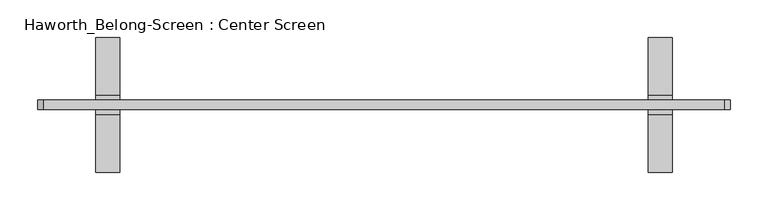
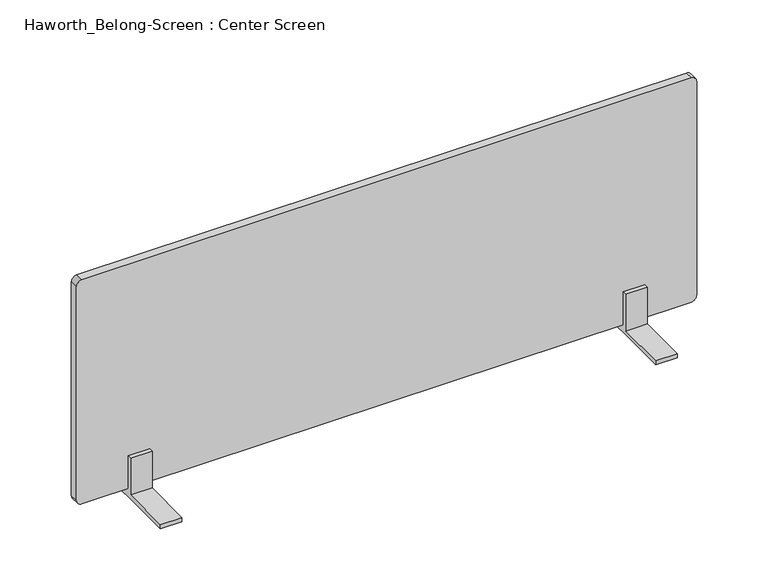
"""IFC4 building model written with IfcOpenShell, lengths in millimetres: furniture geometry, Haworth_Belong-Screen : Center Screen."""

from ifc_helpers import new_model, si_unit, point, frame, frame_2d, origin, place, context, project, spatial, polyline, circle_curve, trimmed, segment, composite_curve, outline, extrude, source, transform, mapped, element, save


def haworth_belong_screen_center_screen_3a9b263b(model_context):
    return source(origin(), model_context, "Body", "SweptSolid", [
        extrude(outline(polyline([(-12.7, 706.4375), (-12.7, 763.5875), (-6.35, 763.5875), (-6.35, 712.7875), (6.35, 712.7875), (6.35, 763.5875), (12.7, 763.5875), (12.7, 706.4375), (88.9, 706.4375), (88.9, 700.0875), (-88.9, 700.0875), (-88.9, 706.4375), (-12.7, 706.4375)])), frame((-413.6645436, 0.0, 0.0), z_axis=(1.0, 0.0, 0.0), x_axis=(0.0, 1.0, 0.0)), (0.0, 0.0, 1.0), 31.75),
        extrude(outline(polyline([(-12.7, 706.4375), (-12.7, 763.5875), (-6.35, 763.5875), (-6.35, 712.7875), (6.35, 712.7875), (6.35, 763.5875), (12.7, 763.5875), (12.7, 706.4375), (88.9, 706.4375), (88.9, 700.0875), (-88.9, 700.0875), (-88.9, 706.4375), (-12.7, 706.4375)])), frame((316.5854564, 0.0, 0.0), z_axis=(1.0, 0.0, 0.0), x_axis=(0.0, 1.0, 0.0)), (0.0, 0.0, 1.0), 31.75),
        extrude(outline(composite_curve([segment(polyline([(1062.0375, 416.5979564), (1062.0375, -481.9270436)]), True, "CONTINUOUS"), segment(trimmed(circle_curve(frame_2d((1054.1, -481.9270436)), 7.9375), [point((1062.0375, -481.9270436))], [point((1054.1, -489.8645436))], False, "CARTESIAN"), True, "CONTINUOUS"), segment(polyline([(1054.1, -489.8645436), (720.725, -489.8645436)]), True, "CONTINUOUS"), segment(trimmed(circle_curve(frame_2d((720.725, -481.9270436)), 7.9375), [point((720.725, -489.8645436))], [point((712.7875, -481.9270436))], False, "CARTESIAN"), True, "CONTINUOUS"), segment(polyline([(712.7875, -481.9270436), (712.7875, 416.5979564)]), True, "CONTINUOUS"), segment(trimmed(circle_curve(frame_2d((720.725, 416.5979564)), 7.9375), [point((712.7875, 416.5979564))], [point((720.725, 424.5354564))], False, "CARTESIAN"), True, "CONTINUOUS"), segment(polyline([(720.725, 424.5354564), (1054.1, 424.5354564)]), True, "CONTINUOUS"), segment(trimmed(circle_curve(frame_2d((1054.1, 416.5979564)), 7.9375), [point((1054.1, 424.5354564))], [point((1062.0375, 416.5979564))], False, "CARTESIAN"), True, "CONTINUOUS")], self_intersect=False)), frame((0.0, -6.35, 0.0), z_axis=(0.0, 1.0, 0.0), x_axis=(0.0, 0.0, 1.0)), (0.0, 0.0, 1.0), 12.7),
    ])


if __name__ == "__main__":
    model = new_model("IFC4")
    model_context = context("Model", 3, world=origin())
    ifc_project = project(units=[si_unit("LENGTHUNIT", "METRE", prefix="MILLI")], contexts=[model_context])
    site = spatial("IfcSite", under=ifc_project)
    building = spatial("IfcBuilding", under=site)
    placement = place(None, origin())
    haworth_belong_screen_center_screen_shape = haworth_belong_screen_center_screen_3a9b263b(model_context)
    element("IfcFurniture", 1, ObjectType="Haworth_Belong-Screen : Center Screen", at=placement, inside=building, context=model_context, shape_type="MappedRepresentation", body=[
        mapped(haworth_belong_screen_center_screen_shape, transform((0.0, 0.0, 0.0), x_axis=(1.0, 0.0, 0.0), y_axis=(0.0, 1.0, 0.0), z_axis=(0.0, 0.0, 1.0))),
    ])
    save(model, "model.ifc")
